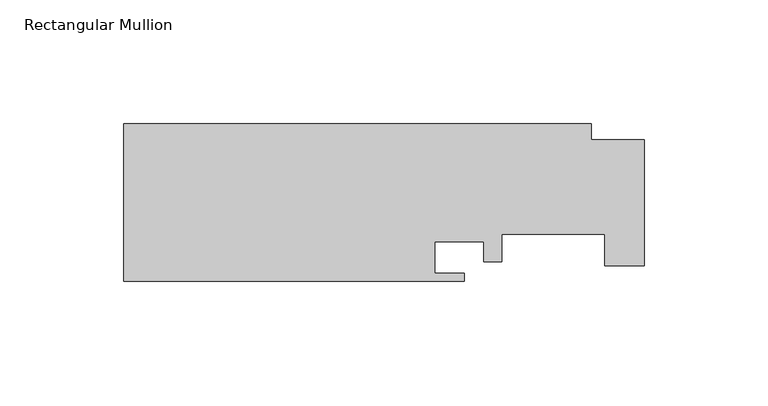
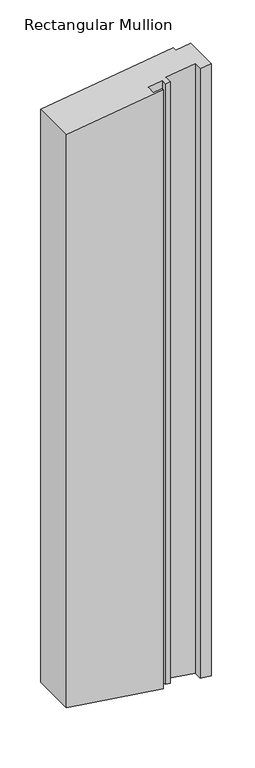
"""IFC4 building model written with IfcOpenShell, lengths in millimetres: member geometry, Rectangular Mullion."""

from ifc_helpers import new_model, si_unit, origin, place, context, project, spatial, faceted_brep, source, transform, mapped, element, save


def rectangular_mullion_1b574305(model_context):
    return source(origin(), model_context, "Body", "Brep", [
        faceted_brep([(-189.3014375, -19.05, -26.604582), (-189.3014375, 44.45, -26.604582), (-189.3014375, 44.45, -887.795418), (-189.3014375, -19.05, -887.795418), (-51.9636375, -19.05, -7.303013), (-51.9636375, -19.05, -907.096987), (-51.9636375, -15.875, -7.303013), (-51.9636375, -15.875, -907.096987), (-63.8762375, -15.875, -8.9772197), (-63.8762375, -15.875, -905.4227803), (-63.8762375, -3.175, -8.9772197), (-63.8762375, -3.175, -905.4227803), (-44.0642375, -3.175, -6.1928247), (-44.0642375, -3.175, -908.2071753), (-44.0642375, -11.1252, -6.1928247), (-44.0642375, -11.1252, -908.2071753), (-36.9014375, -11.1252, -5.1861588), (-36.9014375, -11.1252, -909.2138412), (-36.9014375, 0.0, -5.1861588), (-36.9014375, 0.0, -909.2138412), (4.7545625, 0.0, 0.6682102), (4.7545625, 0.0, -915.0682102), (4.7545625, -12.7, 0.6682102), (4.7545625, -12.7, -915.0682102), (20.6295625, -12.7, 2.8992959), (20.6295625, -12.7, -917.2992959), (20.6295625, 38.1, 2.8992959), (20.6295625, 38.1, -917.2992959), (-0.6556375, 38.1, -0.0921438), (-0.6556375, 38.1, -914.3078562), (-0.6556375, 44.45, -0.0921438), (-0.6556375, 44.45, -914.3078562)], [[[0, 1, 2, 3]], [[4, 0, 3, 5]], [[6, 4, 5, 7]], [[8, 6, 7, 9]], [[10, 8, 9, 11]], [[12, 10, 11, 13]], [[14, 12, 13, 15]], [[16, 14, 15, 17]], [[18, 16, 17, 19]], [[20, 18, 19, 21]], [[22, 20, 21, 23]], [[24, 22, 23, 25]], [[26, 24, 25, 27]], [[28, 26, 27, 29]], [[30, 28, 29, 31]], [[1, 30, 31, 2]], [[0, 4, 6, 8, 10, 12, 14, 16, 18, 20, 22, 24, 26, 28, 30, 1]], [[3, 2, 31, 29, 27, 25, 23, 21, 19, 17, 15, 13, 11, 9, 7, 5]]]),
    ])


if __name__ == "__main__":
    model = new_model("IFC4")
    model_context = context("Model", 3, world=origin())
    ifc_project = project(units=[si_unit("LENGTHUNIT", "METRE", prefix="MILLI")], contexts=[model_context])
    site = spatial("IfcSite", under=ifc_project)
    building = spatial("IfcBuilding", under=site)
    placement = place(None, origin())
    rectangular_mullion_shape = rectangular_mullion_1b574305(model_context)
    element("IfcMember", 1, ObjectType="Rectangular Mullion", at=placement, inside=building, context=model_context, shape_type="MappedRepresentation", body=[
        mapped(rectangular_mullion_shape, transform((0.0, 0.0, 0.0), x_axis=(1.0, 0.0, 0.0), y_axis=(0.0, 1.0, 0.0), z_axis=(0.0, 0.0, 1.0))),
    ])
    save(model, "model.ifc")
